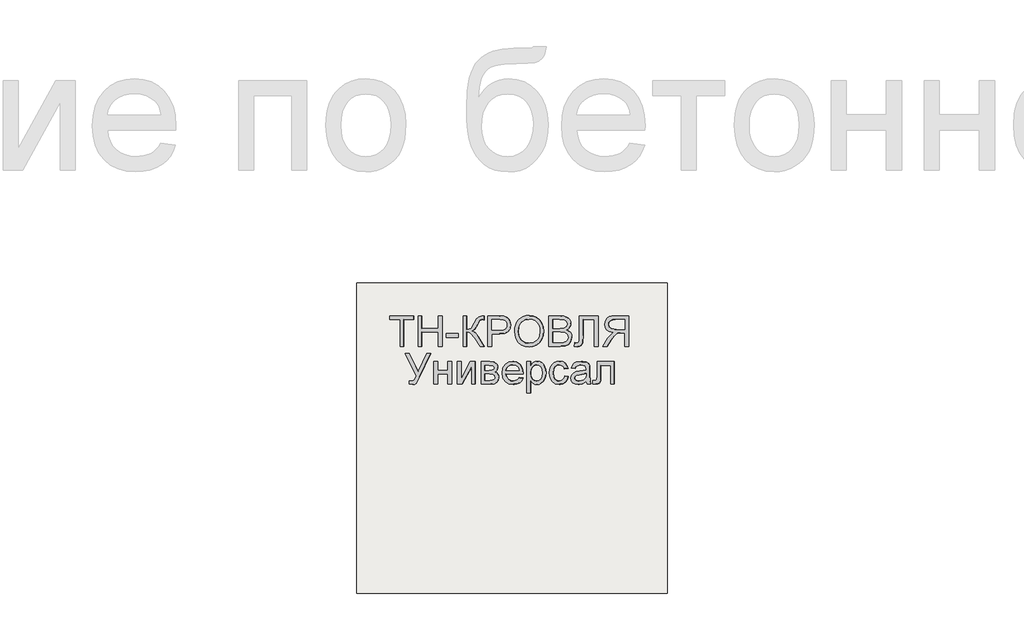
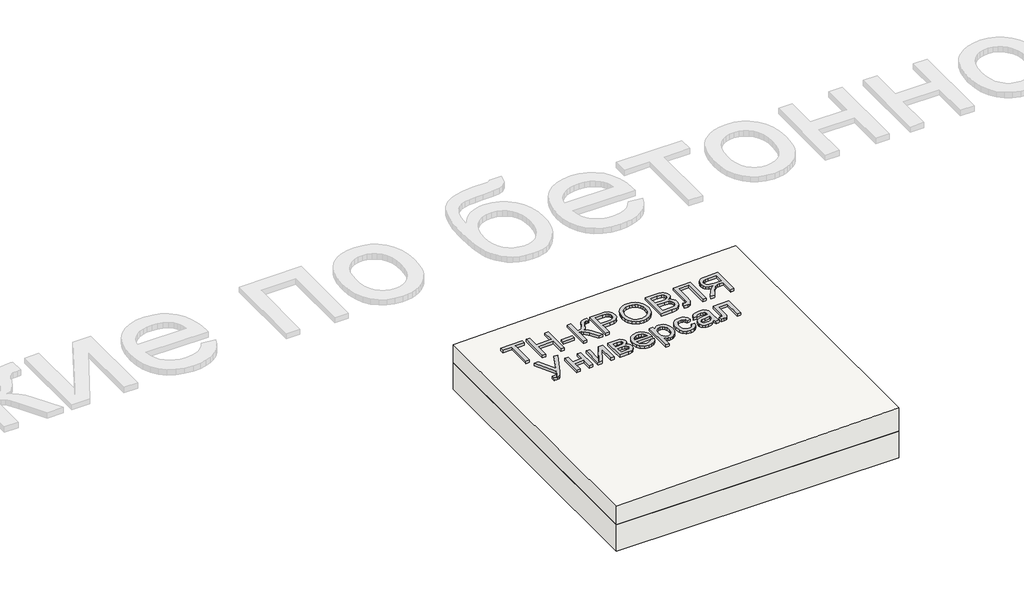
# One storey, part 1 of 2: 1 proxy, 1 roof, 1 slab.
"""IFC4 building model written with IfcOpenShell, lengths in millimetres."""

from ifc_helpers import new_model, si_unit, frame, origin, place, context, project, spatial, polyline, outline, extrude, element, save

model = new_model("IFC4")

# Units and contexts
model_context = context("Model", 3, world=origin())
ifc_project = project(units=[si_unit("LENGTHUNIT", "METRE", prefix="MILLI")], contexts=[model_context])

# Site, building, storey
site = spatial("IfcSite", under=ifc_project)
building = spatial("IfcBuilding", under=site)
storey = spatial("IfcBuildingStorey", under=building, Elevation=0.0)

# Proxy
placement = place(None, origin())
element("IfcBuildingElementProxy", 1, Name="Generic Models", at=placement, inside=storey, context=model_context, shape_type="SweptSolid", body=[
    extrude(outline(polyline([(24.6153846, 0.0), (24.6153846, -172.3076923), (89.2307692, -172.3076923), (89.2307692, -196.9230769), (-64.6153846, -196.9230769), (-64.6153846, -172.3076923), (0.0, -172.3076923), (0.0, 0.0), (24.6153846, 0.0)])), frame((7009.621708, -4710.2316754, 141.0645223), z_axis=(-0.019996001199563986, 0.0, 0.9998000599800078), x_axis=(-0.9998000599800078, 0.0, -0.019996001199563986)), (0.0, 0.0, 1.0), 20.0),
    extrude(outline(polyline([(24.6153846, 0.0), (24.6153846, -196.9230769), (0.0, -196.9230769), (0.0, -116.9230769), (-104.6153846, -116.9230769), (-104.6153846, -196.9230769), (-129.2307693, -196.9230769), (-129.2307693, 0.0), (-104.6153846, 0.0), (-104.6153846, -92.3076923), (0.0, -92.3076923), (0.0, 0.0), (24.6153846, 0.0)])), frame((7126.5214073, -4710.2316754, 143.4025162), z_axis=(-0.019996001199563986, 0.0, 0.9998000599800078), x_axis=(-0.9998000599800078, 0.0, -0.019996001199563986)), (0.0, 0.0, 1.0), 20.0),
    extrude(outline(polyline([(76.923077, 0.0), (76.923077, -24.6153846), (0.0, -24.6153846), (0.0, 0.0), (76.923077, 0.0)])), frame((7360.320806, -4651.7701369, 148.0785042), z_axis=(-0.01999600119956399, 0.0, 0.9998000599800078), x_axis=(-0.9998000599800078, 0.0, -0.01999600119956399)), (0.0, 0.0, 1.0), 20.0),
    extrude(outline(polyline([(196.9230769, 0.0), (196.9230769, -24.6153846), (110.7692308, -24.6153846), (112.3978365, -41.2800481), (117.2836538, -52.1394232), (128.7800481, -60.9194711), (150.2403846, -71.3461539), (177.7644231, -84.9278847), (191.3942308, -100.3125), (196.9230769, -122.3076923), (196.6346154, -138.4615385), (172.0192308, -138.4615385), (172.1634615, -133.0288462), (172.3076923, -127.5961539), (170.8293269, -116.3221154), (166.3942308, -108.3653847), (141.0576923, -93.7500001), (110.1923077, -76.3221154), (100.0, -59.3269231), (88.8701923, -78.329327), (65.6730769, -97.0673077), (0.0, -138.4615385), (0.0, -109.9038462), (55.4807692, -74.9038462), (84.4471154, -50.2644231), (90.3425481, -38.8882212), (92.3076923, -24.6153846), (0.0, -24.6153846), (0.0, 0.0), (196.9230769, 0.0)])), frame((7391.0838847, -4710.2316754, 148.6937658), z_axis=(-0.019996001199563986, 0.0, 0.9998000599800078), x_axis=(0.0, 1.0, 0.0)), (0.0, 0.0, 1.0), 20.0),
    extrude(outline(polyline([(24.6153846, 0.0), (24.6153846, -196.9230769), (-48.3653847, -196.9230769), (-77.7884616, -195.0480769), (-101.7067308, -185.8413461), (-110.4026443, -177.6802885), (-117.2115385, -166.8028846), (-123.0769231, -139.9519231), (-119.1165866, -116.7427885), (-107.235577, -97.4038461), (-97.7208534, -89.7896635), (-85.0180289, -84.3509615), (-50.048077, -80.0), (0.0, -80.0), (0.0, 0.0), (24.6153846, 0.0)]), holes=[polyline([(0.0, -104.6153846), (-51.4903847, -104.6153846), (-73.3173078, -106.875), (-87.7403846, -113.6538461), (-95.78125, -124.53125), (-98.4615385, -139.0865385), (-96.8810097, -150.1442308), (-92.1394232, -159.4711538), (-84.8257212, -166.4903846), (-75.5288462, -170.625), (-50.9134615, -172.3076923), (0.0, -172.3076923), (0.0, -104.6153846)])]), frame((7575.6623573, -4710.2316754, 152.3853352), z_axis=(-0.01999600119956399, 0.0, 0.9998000599800078), x_axis=(-0.9998000599800078, 0.0, -0.01999600119956399)), (0.0, 0.0, 1.0), 20.0),
    extrude(outline(polyline([(25.3428445, 0.0), (48.1160484, -4.1938573), (67.8912361, -11.3545773), (84.6684074, -21.48216), (98.4475626, -34.5766053), (108.9049086, -49.9093782), (115.7166524, -66.7519434), (118.8827941, -85.1043011), (118.4033337, -104.9664512), (112.3116986, -130.2760814), (100.0658902, -152.2136344), (82.4868293, -169.6009171), (60.3954366, -181.2597367), (34.812491, -187.0380147), (6.7587717, -186.7836729), (-21.0136463, -180.6528553), (-44.9882084, -168.8870737), (-63.9421568, -152.1247694), (-76.6527338, -131.0043835), (-83.1347827, -107.1750808), (-83.4031474, -82.2860261), (-77.1659621, -56.5935493), (-64.600884, -34.5586152), (-46.7404789, -17.2511253), (-24.6173127, -5.740981), (0.0, 0.0), (25.3428445, 0.0)]), holes=[polyline([(22.3721769, -24.4366544), (-8.7890431, -25.9094148), (-33.7562618, -37.9787802), (-50.9832576, -58.3865327), (-58.9238091, -84.8744541), (-57.0179297, -112.8610054), (-44.5775814, -136.6179286), (-34.5460353, -146.3414541), (-22.1589798, -153.8699217), (9.6816594, -162.341683), (31.570013, -162.6815636), (50.9840871, -158.5364568), (67.4340475, -150.0149318), (80.43006, -137.2255581), (89.4380632, -121.0520254), (93.9239955, -102.3780231), (92.2935561, -75.5530127), (81.0850249, -51.6494365), (71.4163804, -41.5325654), (58.4080243, -33.6248114), (22.3721769, -24.4366544)])]), frame((7726.1370731, -4639.5525889, 155.3948296), z_axis=(-0.01999600119956399, 0.0, 0.9998000599800078), x_axis=(-0.11095588221402986, 0.9938228553011785, -0.002219117644276566)), (0.0, 0.0, 1.0), 20.0),
    extrude(outline(polyline([(74.5673077, 0.0), (74.5673077, -196.9230769), (-0.5769231, -196.9230769), (-21.2439903, -195.4747596), (-37.3798076, -191.1298077), (-49.7475961, -183.7800481), (-59.1105769, -173.3173077), (-65.0060096, -161.0096154), (-66.9711538, -148.125), (-65.3185096, -136.2680288), (-60.3605769, -125.1201923), (-52.061298, -115.3665865), (-40.3846154, -107.6923077), (-54.3329326, -100.4086538), (-64.639423, -89.3269231), (-71.0036058, -75.1802885), (-73.125, -58.7019231), (-67.3317307, -32.2355769), (-52.9807692, -13.3894231), (-31.5625, -3.3894231), (0.0, 0.0), (74.5673077, 0.0)]), holes=[polyline([(49.9519231, -116.9230769), (5.0, -116.9230769), (-21.2499999, -119.0384615), (-37.0432692, -128.1490385), (-42.3557692, -144.1826923), (-37.4038461, -160.2403846), (-23.2211538, -169.7355769), (8.4134616, -172.3076923), (49.9519231, -172.3076923), (49.9519231, -116.9230769)]), polyline([(49.9519231, -24.6153846), (-0.5288461, -24.6153846), (-18.7980769, -25.5769231), (-34.2548077, -30.9375), (-44.4951923, -41.875), (-48.5096153, -58.4615385), (-43.7980769, -77.5961538), (-37.6262019, -84.5132211), (-28.5336538, -89.0144231), (1.875, -92.3076923), (49.9519231, -92.3076923), (49.9519231, -24.6153846)])]), frame((8019.3717013, -4710.2316754, 161.2595221), z_axis=(-0.019996001199563986, 0.0, 0.9998000599800078), x_axis=(-0.9998000599800078, 0.0, -0.019996001199563986)), (0.0, 0.0, 1.0), 20.0),
    extrude(outline(polyline([(137.6442308, 0.0), (137.6442308, -120.0), (-59.2788461, -120.0), (-59.2788461, -95.3846154), (113.0288462, -95.3846154), (113.0288462, -24.6153846), (12.548077, -24.6153846), (-32.2836538, -21.7548077), (-44.951923, -17.3257211), (-54.4471153, -9.7596153), (-60.3786057, 0.6009616), (-62.3557692, 13.4134616), (-59.2788461, 33.8461539), (-34.6634615, 30.7692308), (-37.7403846, 18.9903846), (-36.0877403, 10.6670673), (-31.1298076, 4.7355769), (-20.0420673, 1.1838942), (0.0, 0.0), (137.6442308, 0.0)])), frame((8141.7030067, -4650.9528293, 163.7061482), z_axis=(-0.019996001199563986, 0.0, 0.9998000599800078), x_axis=(0.0, 1.0, 0.0)), (0.0, 0.0, 1.0), 20.0),
    extrude(outline(polyline([(24.6153846, -110.7692308), (0.0, -110.7692308), (0.0, -24.6153847), (-29.7115384, -24.6153847), (-43.9903846, -25.4807693), (-55.6971154, -30.1682693), (-68.7019231, -42.9326923), (-87.2115385, -69.9519231), (-112.8365384, -110.7692308), (-141.4423077, -110.7692308), (-108.6057692, -57.4038462), (-88.6538462, -32.0673077), (-74.6634615, -21.5384616), (-98.9122596, -15.0120193), (-115.8894231, -3.2211539), (-125.8954327, 12.8605769), (-129.2307692, 32.2596153), (-127.2175481, 47.8545673), (-121.1778846, 62.0432692), (-111.766827, 73.4855769), (-99.6394231, 80.8413461), (-83.046875, 84.8257211), (-60.2403847, 86.1538461), (24.6153846, 86.1538461), (24.6153846, -110.7692308)]), holes=[polyline([(0.0, 0.0), (0.0, 61.5384615), (-61.2980769, 61.5384615), (-80.7752404, 59.4110577), (-94.2067308, 53.0288461), (-102.0132211, 43.3533653), (-104.6153846, 31.3461538), (-99.1586539, 14.639423), (-83.1971154, 3.4855769), (-55.0961538, 0.0), (0.0, 0.0)])]), frame((8433.952255, -4599.4624446, 169.5511332), z_axis=(-0.01999600119956399, 0.0, 0.9998000599800078), x_axis=(0.9998000599800078, 0.0, 0.01999600119956399)), (0.0, 0.0, 1.0), 20.0),
    extrude(outline(polyline([(162.3958046, 0.0), (150.1049668, -24.3315009), (19.4444774, -24.3112472), (99.6626749, -124.1893539), (87.4802219, -148.3062913), (-15.7465271, -12.4058552), (-40.2207288, 22.7409556), (-41.8232157, 34.3633587), (-37.906375, 47.0489008), (-25.1668824, 65.44433), (-5.9419927, 55.7330507), (-14.6778087, 38.4392325), (-16.2671727, 23.1371615), (0.0, 0.0), (162.3958046, 0.0)])), frame((7090.5189917, -4901.3374446, 142.6824679), z_axis=(-0.01999600119956399, 0.0, 0.9998000599800078), x_axis=(-0.45079067255565264, 0.8925841610989058, -0.00901581345109673)), (0.0, 0.0, 1.0), 20.0),
    extrude(outline(polyline([(144.6153846, 0.0), (144.6153846, -24.6153847), (89.2307692, -24.6153847), (89.2307692, -89.2307693), (144.6153846, -89.2307693), (144.6153846, -113.8461539), (0.0, -113.8461539), (0.0, -89.2307693), (64.6153846, -89.2307693), (64.6153846, -24.6153847), (0.0, -24.6153847), (0.0, 0.0), (144.6153846, 0.0)])), frame((7203.4291042, -4953.3085985, 144.9406702), z_axis=(-0.019996001199563986, 0.0, 0.9998000599800078), x_axis=(0.0, 1.0, 0.0)), (0.0, 0.0, 1.0), 20.0),
    extrude(outline(polyline([(144.6153846, 0.0), (144.6153846, -24.6153846), (34.3269231, -24.6153846), (144.6153846, -85.0961538), (144.6153846, -116.9230769), (0.0, -116.9230769), (0.0, -92.3076923), (109.6153846, -92.3076923), (0.0, -32.2115385), (0.0, 0.0), (144.6153846, 0.0)])), frame((7354.1681902, -4953.3085985, 147.9554519), z_axis=(-0.019996001199563986, 0.0, 0.9998000599800078), x_axis=(0.0, 1.0, 0.0)), (0.0, 0.0, 1.0), 20.0),
    extrude(outline(polyline([(144.6153846, 0.0), (144.6153846, -54.2307692), (141.3221154, -83.9663461), (129.2548077, -100.6971154), (119.609375, -105.9435095), (108.2211539, -107.6923076), (91.1298077, -103.4615384), (78.9423077, -90.7211538), (73.828125, -99.8317308), (65.6009616, -107.2596153), (54.9098558, -112.1995192), (42.4038462, -113.8461538), (23.6418269, -109.6754807), (10.4326923, -99.7596153), (2.6081731, -84.0625), (0.0, -62.5480769), (0.0, 0.0), (144.6153846, 0.0)]), holes=[polyline([(89.2307692, -24.6153846), (89.2307692, -48.9423076), (90.4807692, -69.014423), (95.4807692, -78.7740384), (104.5192308, -83.076923), (111.8629808, -81.1899038), (116.5865385, -75.5288461), (120.0, -49.7115384), (120.0, -24.6153846), (89.2307692, -24.6153846)]), polyline([(24.6153846, -24.6153846), (24.6153846, -54.8076923), (25.7271635, -71.2620192), (29.0625, -81.5865384), (35.1262019, -87.1274038), (44.4230769, -89.2307692), (56.2740385, -85.0240384), (63.1730769, -74.0625), (64.6153846, -52.4038461), (64.6153846, -24.6153846), (24.6153846, -24.6153846)])]), frame((7507.9835841, -4953.3085985, 151.0317598), z_axis=(-0.019996001199563986, 0.0, 0.9998000599800078), x_axis=(0.0, 1.0, 0.0)), (0.0, 0.0, 1.0), 20.0),
    extrude(outline(polyline([(11.9224287, 1e-07), (23.3787354, -21.4639267), (3.5155617, -24.8948099), (-15.6006829, -21.4439824), (-33.3578567, -11.0602867), (-49.1438179, 6.3074343), (-61.8818963, 32.6831316), (-62.8170421, 59.2687891), (-51.916867, 84.377867), (-29.1489828, 106.323825), (-0.0288865, 121.1343702), (27.9674232, 123.4461986), (52.9457848, 114.2880645), (73.0120364, 94.6887224), (84.3959089, 69.9827894), (84.4955819, 43.8580616), (72.9280669, 18.474447), (49.3103756, -4.0081467), (43.8159314, -7.7297065), (-20.1983856, 82.4925626), (-32.7600612, 68.3554763), (-38.0799991, 52.4447665), (-36.6070543, 35.9746352), (-28.7900825, 20.1592847), (-10.6288614, 3.4526149), (0.0, 0.0), (11.9224287, 1e-07)]), holes=[polyline([(-0.1228525, 96.7365132), (49.7309746, 26.4721472), (58.4107366, 36.7128099), (62.2212823, 47.4187828), (60.9747524, 64.1306143), (52.8808629, 80.5231919), (41.4022308, 92.7236592), (27.8314967, 99.9175417), (13.5345169, 101.4675797), (-0.1228525, 96.7365132)])]), frame((7746.9021513, -4919.9552331, 155.8101311), z_axis=(-0.019996001199563986, 0.0, 0.9998000599800079), x_axis=(0.578544795400551, 0.8155685342647919, 0.011570895907990104)), (0.0, 0.0, 1.0), 20.0),
    extrude(outline(polyline([(24.6153846, 0.0), (24.6153846, -200.0), (0.0, -200.0), (0.0, -175.8653846), (-17.0192308, -196.2740385), (-27.5, -201.376202), (-40.0, -203.0769231), (-56.6466346, -200.6971154), (-71.2019231, -193.5576923), (-83.0528847, -182.0913462), (-91.5865385, -166.7307693), (-96.7427886, -148.59375), (-98.4615385, -128.798077), (-96.5204327, -107.7463943), (-90.6971154, -88.9182693), (-81.1778847, -73.2692308), (-68.1490385, -61.7548077), (-52.9747597, -54.6694712), (-37.0192308, -52.3076923), (-25.7031251, -53.8882212), (-15.6009616, -58.6298077), (0.0, -74.6153846), (0.0, 0.0), (24.6153846, 0.0)]), holes=[polyline([(0.0, -126.5384616), (-2.6622597, -104.4711539), (-10.6490385, -89.0384616), (-22.4338942, -79.9519231), (-36.4903847, -76.923077), (-50.7752404, -80.0600962), (-62.8605769, -89.4711539), (-71.0997597, -105.46875), (-73.8461539, -128.3653846), (-71.1658654, -150.3125), (-63.125, -165.9615385), (-51.3581732, -175.3365385), (-37.5, -178.4615385), (-23.5877404, -175.1382212), (-11.3701924, -165.1682693), (-2.8425481, -148.8641827), (0.0, -126.5384616)])]), frame((7827.9196032, -5008.6932139, 157.4304802), z_axis=(-0.01999600119956399, 0.0, 0.9998000599800078), x_axis=(-0.9998000599800078, 0.0, -0.01999600119956399)), (0.0, 0.0, 1.0), 20.0),
    extrude(outline(polyline([(14.2739448, 0.0), (18.5774163, -24.4308156), (-4.3658123, -24.3147239), (-23.9730045, -16.8581344), (-39.1287659, -2.9877766), (-48.7177025, 16.3696196), (-51.7999353, 42.8176798), (-43.9550055, 66.6568586), (-25.3354264, 86.2178676), (3.9062883, 99.8314183), (25.3948449, 104.4802096), (45.1992054, 104.6740484), (62.645194, 100.1110145), (77.0586345, 90.4891882), (88.0614871, 77.0566735), (95.2757119, 61.0615744), (98.5250521, 40.2990925), (94.8035117, 21.753999), (84.4149332, 6.0732076), (67.6631596, -6.0963687), (57.4783634, 16.5234133), (66.4279038, 23.9512854), (71.7390476, 32.8620535), (73.5020103, 42.8810605), (71.8070079, 53.6336491), (64.2193556, 67.9417386), (51.7849492, 77.3240769), (34.3582431, 80.5788393), (11.7936921, 76.5042012), (-9.4649736, 67.1472583), (-22.146962, 54.8097825), (-27.1652793, 40.2921826), (-25.4329315, 24.3948669), (-19.8783046, 12.7682798), (-11.3923719, 4.4463753), (0.0, 0.0), (14.2739448, 0.0)])), frame((8042.1375812, -4914.6427331, 161.7148397), z_axis=(-0.01999600119956399, 0.0, 0.9998000599800079), x_axis=(0.2942340972928861, 0.9557152643484548, 0.0058846819458470935)), (0.0, 0.0, 1.0), 20.0),
    extrude(outline(polyline([(19.4601702, -1e-07), (11.1819963, 27.9207832), (14.9143961, 54.4732734), (24.1902839, 73.0649574), (37.3011934, 84.6897486), (52.8826325, 89.3590492), (69.5701086, 87.0842617), (86.5521477, 76.4571844), (96.0465823, 60.2429097), (98.2586563, 41.3376584), (95.0355657, 19.9618777), (89.5623928, -23.2153749), (94.7162973, -25.0853757), (105.6740454, -26.9515756), (114.1004512, -24.4012291), (122.7587066, -15.3020791), (129.4557417, -0.8361792), (132.8384667, 24.2872046), (128.8153045, 32.9891694), (120.6530554, 40.8663574), (131.3561489, 63.2455532), (150.7935143, 45.5413592), (155.5977439, 34.3745663), (157.376525, 20.7448455), (151.8045309, -11.6304924), (138.2204199, -38.5478606), (122.4698447, -51.060142), (104.2335367, -52.9377443), (83.4202766, -47.2669291), (54.3668506, -37.5824538), (13.4016719, -25.2450099), (-7.7840681, -23.3522042), (0.0, 0.0), (19.4601702, -1e-07)]), holes=[polyline([(66.1645787, -15.5681362), (71.5617354, 24.4924486), (74.4731593, 45.8454244), (71.3488897, 56.9970141), (63.4279923, 63.1847402), (55.9042801, 63.7605636), (48.4755881, 60.4405521), (41.8184615, 53.1258846), (36.6094453, 41.7177398), (33.8253486, 28.7094523), (34.3213549, 16.2294779), (42.7667647, -3.5119526), (59.5967713, -13.2268344), (66.1645787, -15.5681362)])]), frame((8190.9239327, -4953.3085985, 164.6905668), z_axis=(-0.019996001199563993, 0.0, 0.9998000599800079), x_axis=(-0.3161645394310112, 0.948683298050503, -0.00632329078860877)), (0.0, 0.0, 1.0), 20.0),
    extrude(outline(polyline([(92.2115384, 0.0), (92.2115384, -110.7692308), (-52.2596154, -110.7692308), (-52.2596154, -86.1538462), (67.5961538, -86.1538462), (67.5961538, -24.6153846), (-1.3942308, -24.6153846), (-33.2211539, -22.9567308), (-46.6586539, -13.8461539), (-50.9675481, -4.7355769), (-52.4038462, 7.6923077), (-51.1538462, 27.6923077), (-27.7884616, 27.6923077), (-27.7884616, 16.6826922), (-26.2740385, 5.5528845), (-21.4663462, 1.1057692), (0.0, 0.0), (92.2115384, 0.0)])), frame((8255.5263981, -4900.9047523, 165.9826161), z_axis=(-0.019996001199563986, 0.0, 0.9998000599800078), x_axis=(0.0, 1.0, 0.0)), (0.0, 0.0, 1.0), 20.0),
])

# Roof
element("IfcRoof", 2, at=placement, inside=storey, context=model_context, shape_type="SweptSolid", body=[
    extrude(outline(polyline([(135.0, 6706.3955952), (0.0, 6706.3955952), (0.0, 8706.3955952), (175.0, 8706.3955952), (135.0, 6706.3955952)])), frame((0.0, -6302.6148653, 0.0), z_axis=(0.0, 1.0, 0.0), x_axis=(0.0, 0.0, 1.0)), (0.0, 0.0, 1.0), 2000.0),
])

# Slab
element("IfcSlab", 3, at=placement, inside=storey, context=model_context, shape_type="SweptSolid", body=[
    extrude(outline(polyline([(8706.3955952, -6302.6148653), (6706.3955952, -6302.6148653), (6706.3955952, -4302.6148653), (8706.3955952, -4302.6148653), (8706.3955952, -6302.6148653)])), frame((0.0, 0.0, -200.0), z_axis=(0.0, 0.0, 1.0), x_axis=(1.0, 0.0, 0.0)), (0.0, 0.0, 1.0), 200.0),
])

save(model, "model.ifc")
